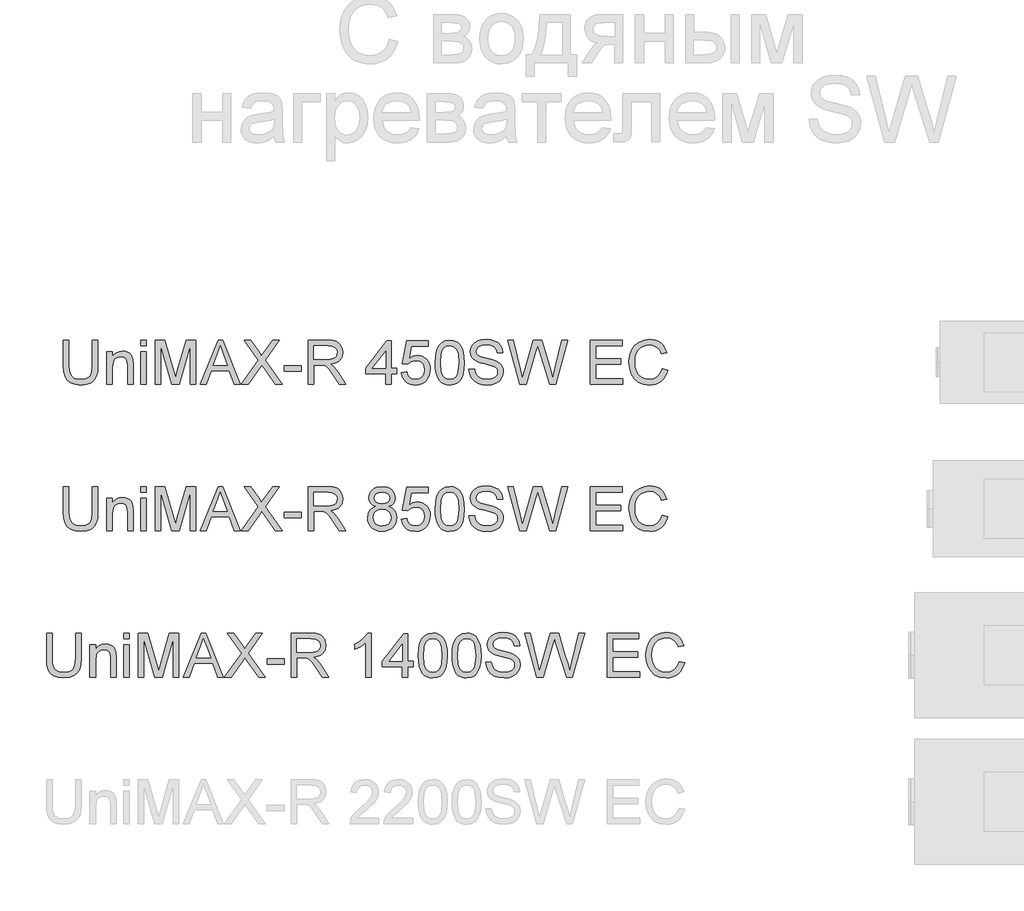
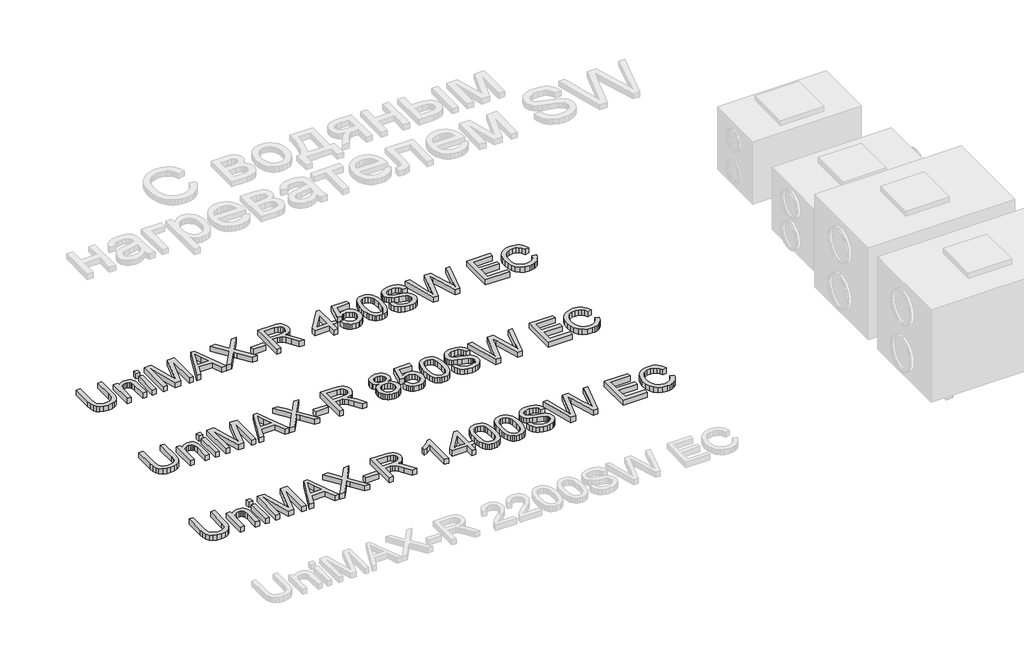
# One storey, part 14 of 74: 3 proxies.
"""IFC4 building model written with IfcOpenShell, lengths in millimetres."""

from ifc_helpers import new_model, si_unit, origin, origin_with_axes, place, context, project, spatial, polyline, outline, extrude, element, save

model = new_model("IFC4")

# Units and contexts
model_context = context("Model", 3, world=origin())
ifc_project = project(units=[si_unit("LENGTHUNIT", "METRE", prefix="MILLI")], contexts=[model_context])

# Site, building, storey
site = spatial("IfcSite", under=ifc_project)
building = spatial("IfcBuilding", under=site)
storey = spatial("IfcBuildingStorey", under=building, Elevation=0.0)

# Proxies
placement = place(None, origin())
element("IfcBuildingElementProxy", 1, Name="Generic Models", at=placement, inside=storey, context=model_context, shape_type="SweptSolid", body=[
    extrude(outline(polyline([(56290.3517423, -34731.9528304), (56328.0228586, -34731.9528304), (56328.0228586, -34905.8138613), (56325.4660787, -34946.5292011), (56317.7957391, -34977.8819441), (56303.4667354, -35002.0701853), (56280.9339632, -35021.2920196), (56250.1422402, -35033.8459926), (56211.0363841, -35038.0306503), (56172.7858537, -35034.3886186), (56142.2056628, -35023.4625233), (56119.2866145, -35005.6294436), (56104.0195117, -34981.2664585), (56095.4386642, -34948.5893403), (56092.5783817, -34905.8138613), (56092.5783817, -34731.9528304), (56130.249498, -34731.9528304), (56130.249498, -34904.4894861), (56132.1073021, -34938.3438267), (56137.6807143, -34961.9158655), (56147.7790751, -34978.2406291), (56163.2117248, -34990.3531438), (56183.3348699, -34997.8579365), (56207.504717, -35000.359534), (56245.8196268, -34995.4115212), (56260.1624261, -34989.2265052), (56271.2954549, -34980.5674827), (56279.6325807, -34968.3905887), (56285.5876705, -34951.6519579), (56290.3517423, -34904.4894861), (56290.3517423, -34731.9528304)])), origin_with_axes(), (0.0, 0.0, 1.0), 50.0),
    extrude(outline(polyline([(56389.2384226, -35033.3217608), (56389.2384226, -34812.0039525), (56426.9095389, -34812.0039525), (56426.9095389, -34842.9060401), (56439.9969409, -34827.3262376), (56455.7146991, -34816.1978072), (56474.0628136, -34809.520749), (56495.0412844, -34807.295063), (56513.6101281, -34809.0884877), (56530.6154733, -34814.4687619), (56544.7973243, -34822.7645009), (56554.895685, -34833.30432), (56566.1896623, -34861.0058343), (56568.176225, -34897.4261518), (56568.176225, -35033.3217608), (56530.5051087, -35033.3217608), (56530.5051087, -34902.5029233), (56526.1641012, -34869.1728146), (56520.1584276, -34859.2491977), (56510.823422, -34851.551267), (56498.8580601, -34846.6124512), (56484.9613177, -34844.9661793), (56462.8975951, -34848.6633933), (56444.0896281, -34859.7550355), (56436.5733391, -34868.8095311), (56431.2045612, -34881.1841617), (56426.9095389, -34915.8938279), (56426.9095389, -35033.3217608), (56389.2384226, -35033.3217608)])), origin_with_axes(), (0.0, 0.0, 1.0), 50.0),
    extrude(outline(polyline([(56619.97401, -35033.3217608), (56619.97401, -34812.0039525), (56657.6451263, -34812.0039525), (56657.6451263, -35033.3217608), (56619.97401, -35033.3217608)])), origin_with_axes(), (0.0, 0.0, 1.0), 50.0),
    extrude(outline(polyline([(56619.97401, -34769.6239467), (56619.97401, -34731.9528304), (56657.6451263, -34731.9528304), (56657.6451263, -34769.6239467), (56619.97401, -34769.6239467)])), origin_with_axes(), (0.0, 0.0, 1.0), 50.0),
    extrude(outline(polyline([(56718.8606903, -35033.3217608), (56718.8606903, -34731.9528304), (56783.6814978, -34731.9528304), (56845.3385202, -34944.3678944), (56857.7729317, -34988.734463), (56871.2374127, -34940.6890744), (56931.8643655, -34731.9528304), (56996.685173, -34731.9528304), (56996.685173, -35033.3217608), (56959.0140567, -35033.3217608), (56959.0140567, -34769.6239467), (56883.3039421, -35033.3217608), (56832.2419212, -35033.3217608), (56756.5318066, -34769.6239467), (56756.5318066, -35033.3217608), (56718.8606903, -35033.3217608)])), origin_with_axes(), (0.0, 0.0, 1.0), 50.0),
    extrude(outline(polyline([(57027.5136842, -35033.3217608), (57147.8110967, -34731.9528304), (57179.8904066, -34731.9528304), (57300.1878191, -35033.3217608), (57260.3829872, -35033.3217608), (57225.875656, -34939.14397), (57101.7522709, -34939.14397), (57067.3185161, -35033.3217608), (57027.5136842, -35033.3217608)]), holes=[polyline([(57115.5846339, -34901.4728537), (57212.1168694, -34901.4728537), (57184.9671782, -34827.3814199), (57163.8507516, -34769.6239467), (57145.0887699, -34820.9066968), (57115.5846339, -34901.4728537)])]), origin_with_axes(), (0.0, 0.0, 1.0), 50.0),
    extrude(outline(polyline([(57307.4718826, -35033.3217608), (57423.6490166, -34869.0992382), (57326.3074407, -34731.9528304), (57371.4833497, -34731.9528304), (57426.297767, -34809.1344729), (57444.7654432, -34839.2272201), (57466.3969045, -34808.6194381), (57520.6227106, -34731.9528304), (57566.4608072, -34731.9528304), (57469.1192312, -34869.5406965), (57585.2963653, -35033.3217608), (57540.1204563, -35033.3217608), (57462.7180845, -34924.1343846), (57446.6048531, -34901.4728537), (57428.872941, -34926.3416766), (57353.3099792, -35033.3217608), (57307.4718826, -35033.3217608)])), origin_with_axes(), (0.0, 0.0, 1.0), 50.0),
    extrude(outline(polyline([(57599.4230339, -34943.8528596), (57599.4230339, -34906.1817433), (57717.1452724, -34906.1817433), (57717.1452724, -34943.8528596), (57599.4230339, -34943.8528596)])), origin_with_axes(), (0.0, 0.0, 1.0), 50.0),
    extrude(outline(polyline([(57764.2341678, -35033.3217608), (57764.2341678, -34731.9528304), (57894.0965121, -34731.9528304), (57928.9993164, -34733.9853784), (57954.3923711, -34740.0830224), (57972.9520177, -34751.3402115), (57987.3545978, -34768.8513945), (57996.597633, -34790.5656292), (57999.6786447, -34814.4319737), (57994.574282, -34844.1200507), (57979.2611939, -34868.7313562), (57967.6614148, -34878.7607391), (57953.279528, -34886.775968), (57916.1694318, -34896.7639642), (57937.5801639, -34912.8771956), (57968.1143695, -34951.6519579), (58018.36705, -35033.3217608), (57974.5890926, -35033.3217608), (57935.3728719, -34970.855398), (57907.0459583, -34929.5054618), (57887.1435424, -34909.9709278), (57869.2276892, -34902.7972289), (57847.3754987, -34901.4728537), (57801.9052841, -34901.4728537), (57801.9052841, -35033.3217608), (57764.2341678, -35033.3217608)]), holes=[polyline([(57801.9052841, -34863.8017374), (57886.2238374, -34863.8017374), (57910.4396697, -34862.4681652), (57929.2292426, -34858.4674485), (57943.3743053, -34851.5328729), (57953.6566071, -34841.3977239), (57959.9197981, -34829.1380564), (57962.0075284, -34815.8299253), (57958.0252058, -34797.4542196), (57946.078238, -34782.6469693), (57925.5228315, -34772.8797023), (57895.7151928, -34769.6239467), (57801.9052841, -34769.6239467), (57801.9052841, -34863.8017374)])]), origin_with_axes(), (0.0, 0.0, 1.0), 50.0),
    extrude(outline(polyline([(58291.6297961, -35033.3217608), (58291.6297961, -34962.6884177), (58155.0719994, -34962.6884177), (58155.0719994, -34925.0173014), (58301.0475751, -34736.6617199), (58329.3009124, -34736.6617199), (58329.3009124, -34925.0173014), (58366.9720287, -34925.0173014), (58366.9720287, -34962.6884177), (58329.3009124, -34962.6884177), (58329.3009124, -35033.3217608), (58291.6297961, -35033.3217608)]), holes=[polyline([(58291.6297961, -34925.0173014), (58291.6297961, -34808.6194381), (58201.4251308, -34925.0173014), (58291.6297961, -34925.0173014)])]), origin_with_axes(), (0.0, 0.0, 1.0), 50.0),
    extrude(outline(polyline([(58399.9342554, -34953.2706387), (58437.6053717, -34948.5617491), (58444.5215532, -34971.1772948), (58456.5880827, -34987.3732996), (58473.7497778, -34997.1129754), (58495.9514562, -35000.359534), (58522.9539946, -34995.8437825), (58543.1875044, -34982.2965281), (58555.8242509, -34961.2812691), (58560.0364997, -34934.3615041), (58556.0909653, -34909.0144346), (58544.2543621, -34889.6270535), (58524.4347197, -34877.3214007), (58496.5400674, -34873.2195165), (58478.2655293, -34874.8565914), (58463.467476, -34879.767816), (58442.3142613, -34896.7639642), (58404.643145, -34892.0550747), (58437.6053717, -34736.6617199), (58583.5809474, -34736.6617199), (58583.5809474, -34774.3328362), (58468.0660009, -34774.3328362), (58451.9527696, -34857.3270143), (58478.8633375, -34840.9930537), (58507.0614924, -34835.5484002), (58525.4073077, -34837.2360588), (58542.2586023, -34842.2990348), (58557.6153764, -34850.7373281), (58571.4776298, -34862.5509386), (58582.9532488, -34877.0178981), (58591.1501195, -34893.416238), (58596.0682419, -34911.7459584), (58597.707616, -34932.0070593), (58591.80311, -34969.6781756), (58584.4224775, -34986.4719887), (58574.089592, -35001.9046384), (58558.4362131, -35017.7097686), (58540.170872, -35028.9991474), (58519.2935688, -35035.7727746), (58495.8043034, -35038.0306503), (58458.8045717, -35032.2273119), (58443.1259009, -35024.9731388), (58429.3280268, -35014.8172964), (58417.8478093, -35002.2656226), (58409.1221083, -34987.823955), (58399.9342554, -34953.2706387)])), origin_with_axes(), (0.0, 0.0, 1.0), 50.0),
    extrude(outline(polyline([(58630.6698428, -34885.0653167), (58633.4381548, -34836.8267901), (58641.7430909, -34798.3555305), (58655.5018775, -34769.0629266), (58674.6317412, -34748.3603673), (58699.2706379, -34736.0547146), (58729.5565231, -34731.9528304), (58752.769877, -34734.3808515), (58773.5552097, -34741.664915), (58790.937634, -34753.5199123), (58803.9422625, -34769.6607349), (58813.7647118, -34789.9494269), (58821.6005983, -34814.2480327), (58826.7325521, -34845.104135), (58828.4432034, -34885.0653167), (58825.7024826, -34933.0279319), (58817.48032, -34971.407221), (58803.8043068, -35000.727416), (58784.7020342, -35021.5127488), (58760.0079553, -35033.9011749), (58729.5565231, -35038.0306503), (58708.8079786, -35036.2372256), (58690.4138788, -35030.8569514), (58674.3742238, -35021.8898278), (58660.6890136, -35009.3358547), (58647.5556264, -34986.6421341), (58638.1746355, -34958.3658043), (58632.546041, -34924.5068652), (58630.6698428, -34885.0653167)]), holes=[polyline([(58668.3409591, -34884.9917403), (58672.7555431, -34944.2483327), (58678.273773, -34964.5163314), (58685.9992949, -34978.5441317), (58705.7177698, -34994.9056835), (58729.5565231, -35000.359534), (58753.3952764, -34994.8872894), (58773.1137513, -34978.4705553), (58780.8392732, -34964.4197624), (58786.3575032, -34944.1563622), (58790.7720871, -34884.9917403), (58786.504656, -34827.0687202), (58781.170367, -34806.8674001), (58773.7023625, -34792.5062068), (58754.0206758, -34775.3445117), (58729.1150647, -34769.6239467), (58705.5338288, -34774.66393), (58686.5879061, -34789.78388), (58678.6048668, -34805.4188648), (58672.9026959, -34826.4985031), (58668.3409591, -34884.9917403)])]), origin_with_axes(), (0.0, 0.0, 1.0), 50.0),
    extrude(outline(polyline([(58861.4054302, -34929.726191), (58899.0765465, -34929.726191), (58903.3991599, -34950.6310853), (58911.2166523, -34967.4340955), (58923.4119405, -34980.7698178), (58940.8679411, -34991.2728488), (58962.2050969, -34998.0878627), (58986.0438501, -35000.359534), (59007.031518, -34998.6396857), (59025.4072236, -34993.4801407), (59040.2972474, -34985.3131604), (59050.8278695, -34974.5710062), (59057.0910605, -34962.2377623), (59059.1787908, -34949.2975131), (59057.6152923, -34936.6883577), (59052.9247969, -34925.7898536), (59043.3966532, -34916.4916362), (59027.32021, -34908.6833408), (58972.4690045, -34894.2991548), (58936.4625542, -34884.7802082), (58913.4239443, -34875.7211141), (58894.6711596, -34863.0475793), (58881.3814225, -34847.688506), (58873.4627626, -34829.974988), (58870.8232093, -34810.2381189), (58874.088162, -34788.1743963), (58883.8830201, -34767.6005957), (58899.9502662, -34750.1629891), (58922.032383, -34737.5078485), (58948.5382807, -34729.8099177), (58977.8768699, -34727.2439408), (59009.6618742, -34729.9294794), (59037.4737531, -34737.9860951), (59060.319225, -34751.248241), (59077.2050086, -34769.5503703), (59087.8919805, -34791.7520487), (59092.1410176, -34816.712842), (59054.4699013, -34816.712842), (59047.5537197, -34794.2352521), (59033.1327455, -34778.0116561), (59010.5999733, -34768.1892069), (58979.3483978, -34764.9150571), (58947.3610584, -34768.1524187), (58925.4168973, -34777.8645034), (58912.7249685, -34792.1567189), (58908.4943256, -34809.1344729), (58911.4925638, -34823.6106295), (58920.4872786, -34835.2540946), (58941.7508579, -34845.6651551), (58981.9971482, -34856.2969447), (59023.5310255, -34866.3953055), (59048.6573657, -34875.2060793), (59070.1324772, -34888.8728954), (59085.1144715, -34905.7402849), (59093.9160482, -34925.6243067), (59096.8499071, -34948.3410199), (59093.4745898, -34971.5635709), (59083.3486379, -34993.4065643), (59066.8859186, -35012.2053343), (59044.5002992, -35026.2952147), (59017.5805342, -35035.0967914), (58987.5153781, -35038.0306503), (58950.607617, -35034.8668652), (58920.2297612, -35025.3755097), (58896.032323, -35009.5197957), (58877.6658144, -34987.262935), (58865.8751964, -34960.150032), (58861.4054302, -34929.726191)])), origin_with_axes(), (0.0, 0.0, 1.0), 50.0),
    extrude(outline(polyline([(59207.288082, -35033.3217608), (59125.1032443, -34731.9528304), (59163.951583, -34731.9528304), (59211.6290896, -34930.0204966), (59226.3443694, -34991.1624842), (59242.0897188, -34937.0838309), (59301.8337548, -34731.9528304), (59357.8253945, -34731.9528304), (59401.2354699, -34880.6507328), (59419.8319048, -34935.8330321), (59433.5355091, -34991.1624842), (59447.8093305, -34931.7863301), (59495.9282955, -34731.9528304), (59534.7766342, -34731.9528304), (59452.51822, -35033.3217608), (59412.2719298, -35033.3217608), (59340.0199059, -34800.8203398), (59329.9399392, -34768.3731479), (59318.6091738, -34807.4422158), (59252.7582967, -35033.3217608), (59207.288082, -35033.3217608)])), origin_with_axes(), (0.0, 0.0, 1.0), 50.0),
    extrude(outline(polyline([(59690.1699889, -35033.3217608), (59690.1699889, -34731.9528304), (59906.7789077, -34731.9528304), (59906.7789077, -34769.6239467), (59727.8411052, -34769.6239467), (59727.8411052, -34859.0928479), (59897.3611286, -34859.0928479), (59897.3611286, -34896.7639642), (59727.8411052, -34896.7639642), (59727.8411052, -34995.6506445), (59911.4877972, -34995.6506445), (59911.4877972, -35033.3217608), (59690.1699889, -35033.3217608)])), origin_with_axes(), (0.0, 0.0, 1.0), 50.0),
    extrude(outline(polyline([(60179.8945009, -34926.1945238), (60217.5656172, -34935.9066085), (60210.1114083, -34959.3337938), (60200.1831929, -34979.8041276), (60187.7809712, -34997.3176098), (60172.904743, -35011.8742405), (60155.8902007, -35023.3176698), (60137.0730367, -35031.4915479), (60116.4532508, -35036.3958747), (60094.0308432, -35038.0306503), (60050.3356592, -35033.0826375), (60015.6351901, -35018.238599), (59989.0373218, -34994.0135696), (59969.6499407, -34960.9225842), (59957.8133375, -34922.0190632), (59953.8678031, -34880.3564272), (59958.3283723, -34836.4129229), (59971.7100798, -34798.4658951), (59993.31395, -34767.7201573), (60022.441007, -34745.3805232), (60056.9851263, -34731.7780864), (60094.8401836, -34727.2439408), (60136.1441346, -34733.1116586), (60154.1128708, -34740.4463059), (60170.2927808, -34750.7148121), (60184.4171502, -34763.6458642), (60196.2192644, -34778.9681493), (60212.8567277, -34816.7864184), (60175.1856114, -34825.7627391), (60162.1258005, -34798.2911511), (60144.2835238, -34779.4463959), (60121.4380519, -34768.5478918), (60093.3686556, -34764.9150571), (60061.0134342, -34768.943365), (60034.43396, -34781.0282885), (60014.2648296, -34799.9006349), (60001.1406394, -34824.2912111), (59993.9393494, -34851.8639667), (59991.5389194, -34880.2828508), (59994.3808078, -34915.0844876), (60002.906473, -34945.1772348), (60017.4378118, -34969.4114612), (60038.296721, -34986.6375356), (60063.3034996, -34996.9290344), (60090.2784469, -35000.359534), (60121.7231604, -34995.6874327), (60147.9255555, -34981.6711287), (60167.7084098, -34958.4577748), (60179.8945009, -34926.1945238)])), origin_with_axes(), (0.0, 0.0, 1.0), 50.0),
])
element("IfcBuildingElementProxy", 2, Name="Generic Models", at=placement, inside=storey, context=model_context, shape_type="SweptSolid", body=[
    extrude(outline(polyline([(56290.3517423, -35731.9528304), (56328.0228586, -35731.9528304), (56328.0228586, -35905.8138613), (56325.4660787, -35946.5292011), (56317.7957391, -35977.8819441), (56303.4667354, -36002.0701853), (56280.9339632, -36021.2920196), (56250.1422402, -36033.8459926), (56211.0363841, -36038.0306503), (56172.7858537, -36034.3886186), (56142.2056628, -36023.4625233), (56119.2866145, -36005.6294436), (56104.0195117, -35981.2664585), (56095.4386642, -35948.5893403), (56092.5783817, -35905.8138613), (56092.5783817, -35731.9528304), (56130.249498, -35731.9528304), (56130.249498, -35904.4894861), (56132.1073021, -35938.3438267), (56137.6807143, -35961.9158655), (56147.7790751, -35978.2406291), (56163.2117248, -35990.3531438), (56183.3348699, -35997.8579365), (56207.504717, -36000.359534), (56245.8196268, -35995.4115212), (56260.1624261, -35989.2265052), (56271.2954549, -35980.5674827), (56279.6325807, -35968.3905887), (56285.5876705, -35951.6519579), (56290.3517423, -35904.4894861), (56290.3517423, -35731.9528304)])), origin_with_axes(), (0.0, 0.0, 1.0), 50.0),
    extrude(outline(polyline([(56389.2384226, -36033.3217608), (56389.2384226, -35812.0039525), (56426.9095389, -35812.0039525), (56426.9095389, -35842.9060401), (56439.9969409, -35827.3262376), (56455.7146991, -35816.1978072), (56474.0628136, -35809.520749), (56495.0412844, -35807.295063), (56513.6101281, -35809.0884877), (56530.6154733, -35814.4687619), (56544.7973243, -35822.7645009), (56554.895685, -35833.30432), (56566.1896623, -35861.0058343), (56568.176225, -35897.4261518), (56568.176225, -36033.3217608), (56530.5051087, -36033.3217608), (56530.5051087, -35902.5029233), (56526.1641012, -35869.1728146), (56520.1584276, -35859.2491977), (56510.823422, -35851.551267), (56498.8580601, -35846.6124512), (56484.9613177, -35844.9661793), (56462.8975951, -35848.6633933), (56444.0896281, -35859.7550355), (56436.5733391, -35868.8095311), (56431.2045612, -35881.1841617), (56426.9095389, -35915.8938279), (56426.9095389, -36033.3217608), (56389.2384226, -36033.3217608)])), origin_with_axes(), (0.0, 0.0, 1.0), 50.0),
    extrude(outline(polyline([(56619.97401, -36033.3217608), (56619.97401, -35812.0039525), (56657.6451263, -35812.0039525), (56657.6451263, -36033.3217608), (56619.97401, -36033.3217608)])), origin_with_axes(), (0.0, 0.0, 1.0), 50.0),
    extrude(outline(polyline([(56619.97401, -35769.6239467), (56619.97401, -35731.9528304), (56657.6451263, -35731.9528304), (56657.6451263, -35769.6239467), (56619.97401, -35769.6239467)])), origin_with_axes(), (0.0, 0.0, 1.0), 50.0),
    extrude(outline(polyline([(56718.8606903, -36033.3217608), (56718.8606903, -35731.9528304), (56783.6814978, -35731.9528304), (56845.3385202, -35944.3678944), (56857.7729317, -35988.734463), (56871.2374127, -35940.6890744), (56931.8643655, -35731.9528304), (56996.685173, -35731.9528304), (56996.685173, -36033.3217608), (56959.0140567, -36033.3217608), (56959.0140567, -35769.6239467), (56883.3039421, -36033.3217608), (56832.2419212, -36033.3217608), (56756.5318066, -35769.6239467), (56756.5318066, -36033.3217608), (56718.8606903, -36033.3217608)])), origin_with_axes(), (0.0, 0.0, 1.0), 50.0),
    extrude(outline(polyline([(57027.5136842, -36033.3217608), (57147.8110967, -35731.9528304), (57179.8904066, -35731.9528304), (57300.1878191, -36033.3217608), (57260.3829872, -36033.3217608), (57225.875656, -35939.14397), (57101.7522709, -35939.14397), (57067.3185161, -36033.3217608), (57027.5136842, -36033.3217608)]), holes=[polyline([(57115.5846339, -35901.4728537), (57212.1168694, -35901.4728537), (57184.9671782, -35827.3814199), (57163.8507516, -35769.6239467), (57145.0887699, -35820.9066968), (57115.5846339, -35901.4728537)])]), origin_with_axes(), (0.0, 0.0, 1.0), 50.0),
    extrude(outline(polyline([(57307.4718826, -36033.3217608), (57423.6490166, -35869.0992382), (57326.3074407, -35731.9528304), (57371.4833497, -35731.9528304), (57426.297767, -35809.1344729), (57444.7654432, -35839.2272201), (57466.3969045, -35808.6194381), (57520.6227106, -35731.9528304), (57566.4608072, -35731.9528304), (57469.1192312, -35869.5406965), (57585.2963653, -36033.3217608), (57540.1204563, -36033.3217608), (57462.7180845, -35924.1343846), (57446.6048531, -35901.4728537), (57428.872941, -35926.3416766), (57353.3099792, -36033.3217608), (57307.4718826, -36033.3217608)])), origin_with_axes(), (0.0, 0.0, 1.0), 50.0),
    extrude(outline(polyline([(57599.4230339, -35943.8528596), (57599.4230339, -35906.1817433), (57717.1452724, -35906.1817433), (57717.1452724, -35943.8528596), (57599.4230339, -35943.8528596)])), origin_with_axes(), (0.0, 0.0, 1.0), 50.0),
    extrude(outline(polyline([(57764.2341678, -36033.3217608), (57764.2341678, -35731.9528304), (57894.0965121, -35731.9528304), (57928.9993164, -35733.9853784), (57954.3923711, -35740.0830224), (57972.9520177, -35751.3402115), (57987.3545978, -35768.8513945), (57996.597633, -35790.5656292), (57999.6786447, -35814.4319737), (57994.574282, -35844.1200507), (57979.2611939, -35868.7313562), (57967.6614148, -35878.7607391), (57953.279528, -35886.775968), (57916.1694318, -35896.7639642), (57937.5801639, -35912.8771956), (57968.1143695, -35951.6519579), (58018.36705, -36033.3217608), (57974.5890926, -36033.3217608), (57935.3728719, -35970.855398), (57907.0459583, -35929.5054618), (57887.1435424, -35909.9709278), (57869.2276892, -35902.7972289), (57847.3754987, -35901.4728537), (57801.9052841, -35901.4728537), (57801.9052841, -36033.3217608), (57764.2341678, -36033.3217608)]), holes=[polyline([(57801.9052841, -35863.8017374), (57886.2238374, -35863.8017374), (57910.4396697, -35862.4681652), (57929.2292426, -35858.4674485), (57943.3743053, -35851.5328729), (57953.6566071, -35841.3977239), (57959.9197981, -35829.1380564), (57962.0075284, -35815.8299253), (57958.0252058, -35797.4542196), (57946.078238, -35782.6469693), (57925.5228315, -35772.8797023), (57895.7151928, -35769.6239467), (57801.9052841, -35769.6239467), (57801.9052841, -35863.8017374)])]), origin_with_axes(), (0.0, 0.0, 1.0), 50.0),
    extrude(outline(polyline([(58224.0866617, -35867.3334046), (58203.9175314, -35857.4005907), (58189.7632716, -35843.9361097), (58181.4031532, -35827.215873), (58178.6164471, -35807.5157922), (58180.1339604, -35792.1521203), (58184.6865001, -35778.0668384), (58192.2740662, -35765.2599465), (58202.8966588, -35753.7314445), (58216.0438416, -35744.2033008), (58231.2051783, -35737.3974839), (58267.5703136, -35731.9528304), (58304.156178, -35737.5262426), (58319.4830616, -35744.4930079), (58332.8325795, -35754.2464793), (58343.6483102, -35766.000309), (58351.3738321, -35778.9681493), (58356.0091452, -35793.1500003), (58357.5542496, -35808.5458617), (58354.8043317, -35827.6113461), (58346.5545779, -35844.0464743), (58332.7130179, -35857.4281819), (58313.187681, -35867.3334046), (58336.3734437, -35879.2803724), (58353.2500302, -35896.8743288), (58363.5415291, -35919.2691452), (58366.9720287, -35945.6186932), (58365.2705744, -35964.4082661), (58360.1662118, -35981.6343405), (58351.6589406, -35997.2969164), (58339.748761, -36011.3959939), (58325.0610724, -36023.0486561), (58308.221274, -36031.3719862), (58289.229366, -36036.3659843), (58268.0853484, -36038.0306503), (58246.9413307, -36036.3590865), (58227.9494227, -36031.3443951), (58211.1096244, -36022.986576), (58196.4219357, -36011.2856293), (58184.5117561, -35997.0876835), (58176.004485, -35981.2388673), (58170.9001223, -35963.7391807), (58169.1986681, -35944.5886236), (58172.7671234, -35917.2182031), (58183.4724895, -35894.703825), (58200.7629432, -35877.8180414), (58224.0866617, -35867.3334046)]), holes=[polyline([(58206.8697844, -35943.2642484), (58213.1605665, -35971.6279502), (58221.8701727, -35983.7956472), (58235.4174272, -35992.8547413), (58251.6410232, -35998.4833359), (58268.379654, -36000.359534), (58294.021029, -35996.4139996), (58313.2612574, -35984.5773964), (58325.2909986, -35966.6523462), (58329.3009124, -35944.4414708), (58325.1622399, -35921.8535163), (58312.7462226, -35903.5329929), (58293.0645358, -35891.3928871), (58267.1288552, -35887.3461851), (58241.8461651, -35891.3377048), (58222.7990748, -35903.3122637), (58210.852107, -35921.2832992), (58206.8697844, -35943.2642484)]), polyline([(58216.2875634, -35808.6194381), (58219.6260925, -35825.0637633), (58229.6416799, -35838.1971506), (58246.0400198, -35846.8055892), (58268.5268068, -35849.6750688), (58290.4893619, -35846.8239833), (58306.6393815, -35838.270727), (58316.5721953, -35825.5787981), (58319.8831333, -35810.3116953), (58316.4618307, -35794.4651784), (58306.1979231, -35781.3593823), (58289.8271743, -35772.5578056), (58268.0853484, -35769.6239467), (58246.2055667, -35772.4934262), (58229.8624091, -35781.1018649), (58219.6812748, -35793.7202173), (58216.2875634, -35808.6194381)])]), origin_with_axes(), (0.0, 0.0, 1.0), 50.0),
    extrude(outline(polyline([(58399.9342554, -35953.2706387), (58437.6053717, -35948.5617491), (58444.5215532, -35971.1772948), (58456.5880827, -35987.3732996), (58473.7497778, -35997.1129754), (58495.9514562, -36000.359534), (58522.9539946, -35995.8437825), (58543.1875044, -35982.2965281), (58555.8242509, -35961.2812691), (58560.0364997, -35934.3615041), (58556.0909653, -35909.0144346), (58544.2543621, -35889.6270535), (58524.4347197, -35877.3214007), (58496.5400674, -35873.2195165), (58478.2655293, -35874.8565914), (58463.467476, -35879.767816), (58442.3142613, -35896.7639642), (58404.643145, -35892.0550747), (58437.6053717, -35736.6617199), (58583.5809474, -35736.6617199), (58583.5809474, -35774.3328362), (58468.0660009, -35774.3328362), (58451.9527696, -35857.3270143), (58478.8633375, -35840.9930537), (58507.0614924, -35835.5484002), (58525.4073077, -35837.2360588), (58542.2586023, -35842.2990348), (58557.6153764, -35850.7373281), (58571.4776298, -35862.5509386), (58582.9532488, -35877.0178981), (58591.1501195, -35893.416238), (58596.0682419, -35911.7459584), (58597.707616, -35932.0070593), (58591.80311, -35969.6781756), (58584.4224775, -35986.4719887), (58574.089592, -36001.9046384), (58558.4362131, -36017.7097686), (58540.170872, -36028.9991474), (58519.2935688, -36035.7727746), (58495.8043034, -36038.0306503), (58458.8045717, -36032.2273119), (58443.1259009, -36024.9731388), (58429.3280268, -36014.8172964), (58417.8478093, -36002.2656226), (58409.1221083, -35987.823955), (58399.9342554, -35953.2706387)])), origin_with_axes(), (0.0, 0.0, 1.0), 50.0),
    extrude(outline(polyline([(58630.6698428, -35885.0653167), (58633.4381548, -35836.8267901), (58641.7430909, -35798.3555305), (58655.5018775, -35769.0629266), (58674.6317412, -35748.3603673), (58699.2706379, -35736.0547146), (58729.5565231, -35731.9528304), (58752.769877, -35734.3808515), (58773.5552097, -35741.664915), (58790.937634, -35753.5199123), (58803.9422625, -35769.6607349), (58813.7647118, -35789.9494269), (58821.6005983, -35814.2480327), (58826.7325521, -35845.104135), (58828.4432034, -35885.0653167), (58825.7024826, -35933.0279319), (58817.48032, -35971.407221), (58803.8043068, -36000.727416), (58784.7020342, -36021.5127488), (58760.0079553, -36033.9011749), (58729.5565231, -36038.0306503), (58708.8079786, -36036.2372256), (58690.4138788, -36030.8569514), (58674.3742238, -36021.8898278), (58660.6890136, -36009.3358547), (58647.5556264, -35986.6421341), (58638.1746355, -35958.3658043), (58632.546041, -35924.5068652), (58630.6698428, -35885.0653167)]), holes=[polyline([(58668.3409591, -35884.9917403), (58672.7555431, -35944.2483327), (58678.273773, -35964.5163314), (58685.9992949, -35978.5441317), (58705.7177698, -35994.9056835), (58729.5565231, -36000.359534), (58753.3952764, -35994.8872894), (58773.1137513, -35978.4705553), (58780.8392732, -35964.4197624), (58786.3575032, -35944.1563622), (58790.7720871, -35884.9917403), (58786.504656, -35827.0687202), (58781.170367, -35806.8674001), (58773.7023625, -35792.5062068), (58754.0206758, -35775.3445117), (58729.1150647, -35769.6239467), (58705.5338288, -35774.66393), (58686.5879061, -35789.78388), (58678.6048668, -35805.4188648), (58672.9026959, -35826.4985031), (58668.3409591, -35884.9917403)])]), origin_with_axes(), (0.0, 0.0, 1.0), 50.0),
    extrude(outline(polyline([(58861.4054302, -35929.726191), (58899.0765465, -35929.726191), (58903.3991599, -35950.6310853), (58911.2166523, -35967.4340955), (58923.4119405, -35980.7698178), (58940.8679411, -35991.2728488), (58962.2050969, -35998.0878627), (58986.0438501, -36000.359534), (59007.031518, -35998.6396857), (59025.4072236, -35993.4801407), (59040.2972474, -35985.3131604), (59050.8278695, -35974.5710062), (59057.0910605, -35962.2377623), (59059.1787908, -35949.2975131), (59057.6152923, -35936.6883577), (59052.9247969, -35925.7898536), (59043.3966532, -35916.4916362), (59027.32021, -35908.6833408), (58972.4690045, -35894.2991548), (58936.4625542, -35884.7802082), (58913.4239443, -35875.7211141), (58894.6711596, -35863.0475793), (58881.3814225, -35847.688506), (58873.4627626, -35829.974988), (58870.8232093, -35810.2381189), (58874.088162, -35788.1743963), (58883.8830201, -35767.6005957), (58899.9502662, -35750.1629891), (58922.032383, -35737.5078485), (58948.5382807, -35729.8099177), (58977.8768699, -35727.2439408), (59009.6618742, -35729.9294794), (59037.4737531, -35737.9860951), (59060.319225, -35751.248241), (59077.2050086, -35769.5503703), (59087.8919805, -35791.7520487), (59092.1410176, -35816.712842), (59054.4699013, -35816.712842), (59047.5537197, -35794.2352521), (59033.1327455, -35778.0116561), (59010.5999733, -35768.1892069), (58979.3483978, -35764.9150571), (58947.3610584, -35768.1524187), (58925.4168973, -35777.8645034), (58912.7249685, -35792.1567189), (58908.4943256, -35809.1344729), (58911.4925638, -35823.6106295), (58920.4872786, -35835.2540946), (58941.7508579, -35845.6651551), (58981.9971482, -35856.2969447), (59023.5310255, -35866.3953055), (59048.6573657, -35875.2060793), (59070.1324772, -35888.8728954), (59085.1144715, -35905.7402849), (59093.9160482, -35925.6243067), (59096.8499071, -35948.3410199), (59093.4745898, -35971.5635709), (59083.3486379, -35993.4065643), (59066.8859186, -36012.2053343), (59044.5002992, -36026.2952147), (59017.5805342, -36035.0967914), (58987.5153781, -36038.0306503), (58950.607617, -36034.8668652), (58920.2297612, -36025.3755097), (58896.032323, -36009.5197957), (58877.6658144, -35987.262935), (58865.8751964, -35960.150032), (58861.4054302, -35929.726191)])), origin_with_axes(), (0.0, 0.0, 1.0), 50.0),
    extrude(outline(polyline([(59207.288082, -36033.3217608), (59125.1032443, -35731.9528304), (59163.951583, -35731.9528304), (59211.6290896, -35930.0204966), (59226.3443694, -35991.1624842), (59242.0897188, -35937.0838309), (59301.8337548, -35731.9528304), (59357.8253945, -35731.9528304), (59401.2354699, -35880.6507328), (59419.8319048, -35935.8330321), (59433.5355091, -35991.1624842), (59447.8093305, -35931.7863301), (59495.9282955, -35731.9528304), (59534.7766342, -35731.9528304), (59452.51822, -36033.3217608), (59412.2719298, -36033.3217608), (59340.0199059, -35800.8203398), (59329.9399392, -35768.3731479), (59318.6091738, -35807.4422158), (59252.7582967, -36033.3217608), (59207.288082, -36033.3217608)])), origin_with_axes(), (0.0, 0.0, 1.0), 50.0),
    extrude(outline(polyline([(59690.1699889, -36033.3217608), (59690.1699889, -35731.9528304), (59906.7789077, -35731.9528304), (59906.7789077, -35769.6239467), (59727.8411052, -35769.6239467), (59727.8411052, -35859.0928479), (59897.3611286, -35859.0928479), (59897.3611286, -35896.7639642), (59727.8411052, -35896.7639642), (59727.8411052, -35995.6506445), (59911.4877972, -35995.6506445), (59911.4877972, -36033.3217608), (59690.1699889, -36033.3217608)])), origin_with_axes(), (0.0, 0.0, 1.0), 50.0),
    extrude(outline(polyline([(60179.8945009, -35926.1945238), (60217.5656172, -35935.9066085), (60210.1114083, -35959.3337938), (60200.1831929, -35979.8041276), (60187.7809712, -35997.3176098), (60172.904743, -36011.8742405), (60155.8902007, -36023.3176698), (60137.0730367, -36031.4915479), (60116.4532508, -36036.3958747), (60094.0308432, -36038.0306503), (60050.3356592, -36033.0826375), (60015.6351901, -36018.238599), (59989.0373218, -35994.0135696), (59969.6499407, -35960.9225842), (59957.8133375, -35922.0190632), (59953.8678031, -35880.3564272), (59958.3283723, -35836.4129229), (59971.7100798, -35798.4658951), (59993.31395, -35767.7201573), (60022.441007, -35745.3805232), (60056.9851263, -35731.7780864), (60094.8401836, -35727.2439408), (60136.1441346, -35733.1116586), (60154.1128708, -35740.4463059), (60170.2927808, -35750.7148121), (60184.4171502, -35763.6458642), (60196.2192644, -35778.9681493), (60212.8567277, -35816.7864184), (60175.1856114, -35825.7627391), (60162.1258005, -35798.2911511), (60144.2835238, -35779.4463959), (60121.4380519, -35768.5478918), (60093.3686556, -35764.9150571), (60061.0134342, -35768.943365), (60034.43396, -35781.0282885), (60014.2648296, -35799.9006349), (60001.1406394, -35824.2912111), (59993.9393494, -35851.8639667), (59991.5389194, -35880.2828508), (59994.3808078, -35915.0844876), (60002.906473, -35945.1772348), (60017.4378118, -35969.4114612), (60038.296721, -35986.6375356), (60063.3034996, -35996.9290344), (60090.2784469, -36000.359534), (60121.7231604, -35995.6874327), (60147.9255555, -35981.6711287), (60167.7084098, -35958.4577748), (60179.8945009, -35926.1945238)])), origin_with_axes(), (0.0, 0.0, 1.0), 50.0),
])
element("IfcBuildingElementProxy", 3, Name="Generic Models", at=placement, inside=storey, context=model_context, shape_type="SweptSolid", body=[
    extrude(outline(polyline([(56174.9839486, -36731.9528304), (56212.6550649, -36731.9528304), (56212.6550649, -36905.8138613), (56210.098285, -36946.5292011), (56202.4279454, -36977.8819441), (56188.0989417, -37002.0701853), (56165.5661695, -37021.2920196), (56134.7744465, -37033.8459926), (56095.6685904, -37038.0306503), (56057.41806, -37034.3886186), (56026.8378691, -37023.4625233), (56003.9188208, -37005.6294436), (55988.651718, -36981.2664585), (55980.0708705, -36948.5893403), (55977.210588, -36905.8138613), (55977.210588, -36731.9528304), (56014.8817043, -36731.9528304), (56014.8817043, -36904.4894861), (56016.7395084, -36938.3438267), (56022.3129206, -36961.9158655), (56032.4112814, -36978.2406291), (56047.8439311, -36990.3531438), (56067.9670762, -36997.8579365), (56092.1369233, -37000.359534), (56130.4518331, -36995.4115212), (56144.7946324, -36989.2265052), (56155.9276613, -36980.5674827), (56164.264787, -36968.3905887), (56170.2198768, -36951.6519579), (56174.9839486, -36904.4894861), (56174.9839486, -36731.9528304)])), origin_with_axes(), (0.0, 0.0, 1.0), 50.0),
    extrude(outline(polyline([(56273.8706289, -37033.3217608), (56273.8706289, -36812.0039525), (56311.5417452, -36812.0039525), (56311.5417452, -36842.9060401), (56324.6291472, -36827.3262376), (56340.3469054, -36816.1978072), (56358.6950199, -36809.520749), (56379.6734907, -36807.295063), (56398.2423344, -36809.0884877), (56415.2476797, -36814.4687619), (56429.4295306, -36822.7645009), (56439.5278913, -36833.30432), (56450.8218686, -36861.0058343), (56452.8084314, -36897.4261518), (56452.8084314, -37033.3217608), (56415.1373151, -37033.3217608), (56415.1373151, -36902.5029233), (56410.7963075, -36869.1728146), (56404.7906339, -36859.2491977), (56395.4556283, -36851.551267), (56383.4902664, -36846.6124512), (56369.5935241, -36844.9661793), (56347.5298014, -36848.6633933), (56328.7218344, -36859.7550355), (56321.2055454, -36868.8095311), (56315.8367675, -36881.1841617), (56311.5417452, -36915.8938279), (56311.5417452, -37033.3217608), (56273.8706289, -37033.3217608)])), origin_with_axes(), (0.0, 0.0, 1.0), 50.0),
    extrude(outline(polyline([(56504.6062163, -37033.3217608), (56504.6062163, -36812.0039525), (56542.2773326, -36812.0039525), (56542.2773326, -37033.3217608), (56504.6062163, -37033.3217608)])), origin_with_axes(), (0.0, 0.0, 1.0), 50.0),
    extrude(outline(polyline([(56504.6062163, -36769.6239467), (56504.6062163, -36731.9528304), (56542.2773326, -36731.9528304), (56542.2773326, -36769.6239467), (56504.6062163, -36769.6239467)])), origin_with_axes(), (0.0, 0.0, 1.0), 50.0),
    extrude(outline(polyline([(56603.4928966, -37033.3217608), (56603.4928966, -36731.9528304), (56668.3137041, -36731.9528304), (56729.9707265, -36944.3678944), (56742.405138, -36988.734463), (56755.869619, -36940.6890744), (56816.4965718, -36731.9528304), (56881.3173793, -36731.9528304), (56881.3173793, -37033.3217608), (56843.646263, -37033.3217608), (56843.646263, -36769.6239467), (56767.9361484, -37033.3217608), (56716.8741275, -37033.3217608), (56641.1640129, -36769.6239467), (56641.1640129, -37033.3217608), (56603.4928966, -37033.3217608)])), origin_with_axes(), (0.0, 0.0, 1.0), 50.0),
    extrude(outline(polyline([(56912.1458905, -37033.3217608), (57032.443303, -36731.9528304), (57064.5226129, -36731.9528304), (57184.8200254, -37033.3217608), (57145.0151935, -37033.3217608), (57110.5078623, -36939.14397), (56986.3844772, -36939.14397), (56951.9507224, -37033.3217608), (56912.1458905, -37033.3217608)]), holes=[polyline([(57000.2168402, -36901.4728537), (57096.7490757, -36901.4728537), (57069.5993845, -36827.3814199), (57048.482958, -36769.6239467), (57029.7209762, -36820.9066968), (57000.2168402, -36901.4728537)])]), origin_with_axes(), (0.0, 0.0, 1.0), 50.0),
    extrude(outline(polyline([(57192.1040889, -37033.3217608), (57308.2812229, -36869.0992382), (57210.939647, -36731.9528304), (57256.115556, -36731.9528304), (57310.9299733, -36809.1344729), (57329.3976495, -36839.2272201), (57351.0291108, -36808.6194381), (57405.2549169, -36731.9528304), (57451.0930135, -36731.9528304), (57353.7514376, -36869.5406965), (57469.9285716, -37033.3217608), (57424.7526626, -37033.3217608), (57347.3502908, -36924.1343846), (57331.2370594, -36901.4728537), (57313.5051473, -36926.3416766), (57237.9421855, -37033.3217608), (57192.1040889, -37033.3217608)])), origin_with_axes(), (0.0, 0.0, 1.0), 50.0),
    extrude(outline(polyline([(57484.0552402, -36943.8528596), (57484.0552402, -36906.1817433), (57601.7774787, -36906.1817433), (57601.7774787, -36943.8528596), (57484.0552402, -36943.8528596)])), origin_with_axes(), (0.0, 0.0, 1.0), 50.0),
    extrude(outline(polyline([(57648.8663741, -37033.3217608), (57648.8663741, -36731.9528304), (57778.7287184, -36731.9528304), (57813.6315227, -36733.9853784), (57839.0245774, -36740.0830224), (57857.584224, -36751.3402115), (57871.9868042, -36768.8513945), (57881.2298393, -36790.5656292), (57884.310851, -36814.4319737), (57879.2064883, -36844.1200507), (57863.8934003, -36868.7313562), (57852.2936211, -36878.7607391), (57837.9117344, -36886.775968), (57800.8016381, -36896.7639642), (57822.2123702, -36912.8771956), (57852.7465758, -36951.6519579), (57902.9992563, -37033.3217608), (57859.2212989, -37033.3217608), (57820.0050782, -36970.855398), (57791.6781646, -36929.5054618), (57771.7757487, -36909.9709278), (57753.8598955, -36902.7972289), (57732.007705, -36901.4728537), (57686.5374904, -36901.4728537), (57686.5374904, -37033.3217608), (57648.8663741, -37033.3217608)]), holes=[polyline([(57686.5374904, -36863.8017374), (57770.8560437, -36863.8017374), (57795.071876, -36862.4681652), (57813.8614489, -36858.4674485), (57828.0065116, -36851.5328729), (57838.2888134, -36841.3977239), (57844.5520044, -36829.1380564), (57846.6397347, -36815.8299253), (57842.6574121, -36797.4542196), (57830.7104443, -36782.6469693), (57810.1550378, -36772.8797023), (57780.3473992, -36769.6239467), (57686.5374904, -36769.6239467), (57686.5374904, -36863.8017374)])]), origin_with_axes(), (0.0, 0.0, 1.0), 50.0),
    extrude(outline(polyline([(58195.0975605, -37033.3217608), (58157.4264442, -37033.3217608), (58157.4264442, -36798.4658951), (58121.7418907, -36823.8865409), (58082.0842116, -36842.9060401), (58082.0842116, -36807.295063), (58111.6711211, -36791.2002257), (58137.3032991, -36772.0519678), (58157.5092177, -36751.6896994), (58170.8173488, -36731.9528304), (58195.0975605, -36731.9528304), (58195.0975605, -37033.3217608)])), origin_with_axes(), (0.0, 0.0, 1.0), 50.0),
    extrude(outline(polyline([(58406.9975897, -37033.3217608), (58406.9975897, -36962.6884177), (58270.4397931, -36962.6884177), (58270.4397931, -36925.0173014), (58416.4153688, -36736.6617199), (58444.668706, -36736.6617199), (58444.668706, -36925.0173014), (58482.3398224, -36925.0173014), (58482.3398224, -36962.6884177), (58444.668706, -36962.6884177), (58444.668706, -37033.3217608), (58406.9975897, -37033.3217608)]), holes=[polyline([(58406.9975897, -36925.0173014), (58406.9975897, -36808.6194381), (58316.7929245, -36925.0173014), (58406.9975897, -36925.0173014)])]), origin_with_axes(), (0.0, 0.0, 1.0), 50.0),
    extrude(outline(polyline([(58515.3020491, -36885.0653167), (58518.0703611, -36836.8267901), (58526.3752972, -36798.3555305), (58540.1340838, -36769.0629266), (58559.2639475, -36748.3603673), (58583.9028442, -36736.0547146), (58614.1887294, -36731.9528304), (58637.4020833, -36734.3808515), (58658.187416, -36741.664915), (58675.5698403, -36753.5199123), (58688.5744688, -36769.6607349), (58698.3969181, -36789.9494269), (58706.2328046, -36814.2480327), (58711.3647585, -36845.104135), (58713.0754097, -36885.0653167), (58710.3346889, -36933.0279319), (58702.1125263, -36971.407221), (58688.4365131, -37000.727416), (58669.3342405, -37021.5127488), (58644.6401616, -37033.9011749), (58614.1887294, -37038.0306503), (58593.4401849, -37036.2372256), (58575.0460851, -37030.8569514), (58559.0064301, -37021.8898278), (58545.3212199, -37009.3358547), (58532.1878327, -36986.6421341), (58522.8068418, -36958.3658043), (58517.1782473, -36924.5068652), (58515.3020491, -36885.0653167)]), holes=[polyline([(58552.9731654, -36884.9917403), (58557.3877494, -36944.2483327), (58562.9059793, -36964.5163314), (58570.6315012, -36978.5441317), (58590.3499761, -36994.9056835), (58614.1887294, -37000.359534), (58638.0274827, -36994.8872894), (58657.7459577, -36978.4705553), (58665.4714796, -36964.4197624), (58670.9897095, -36944.1563622), (58675.4042934, -36884.9917403), (58671.1368623, -36827.0687202), (58665.8025733, -36806.8674001), (58658.3345688, -36792.5062068), (58638.6528821, -36775.3445117), (58613.747271, -36769.6239467), (58590.1660351, -36774.66393), (58571.2201124, -36789.78388), (58563.2370731, -36805.4188648), (58557.5349022, -36826.4985031), (58552.9731654, -36884.9917403)])]), origin_with_axes(), (0.0, 0.0, 1.0), 50.0),
    extrude(outline(polyline([(58746.0376365, -36885.0653167), (58748.8059485, -36836.8267901), (58757.1108846, -36798.3555305), (58770.8696712, -36769.0629266), (58789.9995349, -36748.3603673), (58814.6384315, -36736.0547146), (58844.9243168, -36731.9528304), (58868.1376707, -36734.3808515), (58888.9230034, -36741.664915), (58906.3054277, -36753.5199123), (58919.3100562, -36769.6607349), (58929.1325055, -36789.9494269), (58936.968392, -36814.2480327), (58942.1003458, -36845.104135), (58943.8109971, -36885.0653167), (58941.0702762, -36933.0279319), (58932.8481136, -36971.407221), (58919.1721005, -37000.727416), (58900.0698279, -37021.5127488), (58875.375749, -37033.9011749), (58844.9243168, -37038.0306503), (58824.1757723, -37036.2372256), (58805.7816725, -37030.8569514), (58789.7420175, -37021.8898278), (58776.0568073, -37009.3358547), (58762.9234201, -36986.6421341), (58753.5424292, -36958.3658043), (58747.9138347, -36924.5068652), (58746.0376365, -36885.0653167)]), holes=[polyline([(58783.7087528, -36884.9917403), (58788.1233367, -36944.2483327), (58793.6415667, -36964.5163314), (58801.3670886, -36978.5441317), (58821.0855635, -36994.9056835), (58844.9243168, -37000.359534), (58868.7630701, -36994.8872894), (58888.481545, -36978.4705553), (58896.2070669, -36964.4197624), (58901.7252969, -36944.1563622), (58906.1398808, -36884.9917403), (58901.8724497, -36827.0687202), (58896.5381607, -36806.8674001), (58889.0701562, -36792.5062068), (58869.3884695, -36775.3445117), (58844.4828584, -36769.6239467), (58820.9016225, -36774.66393), (58801.9556998, -36789.78388), (58793.9726605, -36805.4188648), (58788.2704895, -36826.4985031), (58783.7087528, -36884.9917403)])]), origin_with_axes(), (0.0, 0.0, 1.0), 50.0),
    extrude(outline(polyline([(58976.7732239, -36929.726191), (59014.4443402, -36929.726191), (59018.7669536, -36950.6310853), (59026.584446, -36967.4340955), (59038.7797342, -36980.7698178), (59056.2357348, -36991.2728488), (59077.5728905, -36998.0878627), (59101.4116438, -37000.359534), (59122.3993117, -36998.6396857), (59140.7750173, -36993.4801407), (59155.6650411, -36985.3131604), (59166.1956632, -36974.5710062), (59172.4588542, -36962.2377623), (59174.5465845, -36949.2975131), (59172.983086, -36936.6883577), (59168.2925906, -36925.7898536), (59158.7644469, -36916.4916362), (59142.6880037, -36908.6833408), (59087.8367982, -36894.2991548), (59051.8303479, -36884.7802082), (59028.791738, -36875.7211141), (59010.0389533, -36863.0475793), (58996.7492162, -36847.688506), (58988.8305563, -36829.974988), (58986.1910029, -36810.2381189), (58989.4559557, -36788.1743963), (58999.2508138, -36767.6005957), (59015.3180599, -36750.1629891), (59037.4001767, -36737.5078485), (59063.9060744, -36729.8099177), (59093.2446635, -36727.2439408), (59125.0296679, -36729.9294794), (59152.8415468, -36737.9860951), (59175.6870187, -36751.248241), (59192.5728022, -36769.5503703), (59203.2597742, -36791.7520487), (59207.5088112, -36816.712842), (59169.8376949, -36816.712842), (59162.9215134, -36794.2352521), (59148.5005392, -36778.0116561), (59125.967767, -36768.1892069), (59094.7161915, -36764.9150571), (59062.728852, -36768.1524187), (59040.784691, -36777.8645034), (59028.0927622, -36792.1567189), (59023.8621193, -36809.1344729), (59026.8603575, -36823.6106295), (59035.8550723, -36835.2540946), (59057.1186516, -36845.6651551), (59097.3649419, -36856.2969447), (59138.8988191, -36866.3953055), (59164.0251594, -36875.2060793), (59185.5002709, -36888.8728954), (59200.4822651, -36905.7402849), (59209.2838419, -36925.6243067), (59212.2177008, -36948.3410199), (59208.8423835, -36971.5635709), (59198.7164316, -36993.4065643), (59182.2537123, -37012.2053343), (59159.8680929, -37026.2952147), (59132.9483279, -37035.0967914), (59102.8831718, -37038.0306503), (59065.9754107, -37034.8668652), (59035.5975549, -37025.3755097), (59011.4001167, -37009.5197957), (58993.0336081, -36987.262935), (58981.2429901, -36960.150032), (58976.7732239, -36929.726191)])), origin_with_axes(), (0.0, 0.0, 1.0), 50.0),
    extrude(outline(polyline([(59322.6558757, -37033.3217608), (59240.471038, -36731.9528304), (59279.3193767, -36731.9528304), (59326.9968833, -36930.0204966), (59341.7121631, -36991.1624842), (59357.4575125, -36937.0838309), (59417.2015485, -36731.9528304), (59473.1931882, -36731.9528304), (59516.6032636, -36880.6507328), (59535.1996984, -36935.8330321), (59548.9033028, -36991.1624842), (59563.1771242, -36931.7863301), (59611.2960892, -36731.9528304), (59650.1444278, -36731.9528304), (59567.8860137, -37033.3217608), (59527.6397234, -37033.3217608), (59455.3876996, -36800.8203398), (59445.3077329, -36768.3731479), (59433.9769675, -36807.4422158), (59368.1260903, -37033.3217608), (59322.6558757, -37033.3217608)])), origin_with_axes(), (0.0, 0.0, 1.0), 50.0),
    extrude(outline(polyline([(59805.5377826, -37033.3217608), (59805.5377826, -36731.9528304), (60022.1467014, -36731.9528304), (60022.1467014, -36769.6239467), (59843.2088989, -36769.6239467), (59843.2088989, -36859.0928479), (60012.7289223, -36859.0928479), (60012.7289223, -36896.7639642), (59843.2088989, -36896.7639642), (59843.2088989, -36995.6506445), (60026.8555909, -36995.6506445), (60026.8555909, -37033.3217608), (59805.5377826, -37033.3217608)])), origin_with_axes(), (0.0, 0.0, 1.0), 50.0),
    extrude(outline(polyline([(60295.2622946, -36926.1945238), (60332.9334109, -36935.9066085), (60325.479202, -36959.3337938), (60315.5509866, -36979.8041276), (60303.1487649, -36997.3176098), (60288.2725367, -37011.8742405), (60271.2579944, -37023.3176698), (60252.4408303, -37031.4915479), (60231.8210445, -37036.3958747), (60209.3986369, -37038.0306503), (60165.7034529, -37033.0826375), (60131.0029837, -37018.238599), (60104.4051155, -36994.0135696), (60085.0177343, -36960.9225842), (60073.1811311, -36922.0190632), (60069.2355967, -36880.3564272), (60073.6961659, -36836.4129229), (60087.0778735, -36798.4658951), (60108.6817437, -36767.7201573), (60137.8088006, -36745.3805232), (60172.35292, -36731.7780864), (60210.2079773, -36727.2439408), (60251.5119283, -36733.1116586), (60269.4806645, -36740.4463059), (60285.6605745, -36750.7148121), (60299.7849439, -36763.6458642), (60311.5870581, -36778.9681493), (60328.2245214, -36816.7864184), (60290.553405, -36825.7627391), (60277.4935942, -36798.2911511), (60259.6513175, -36779.4463959), (60236.8058456, -36768.5478918), (60208.7364493, -36764.9150571), (60176.3812278, -36768.943365), (60149.8017537, -36781.0282885), (60129.6326233, -36799.9006349), (60116.5084331, -36824.2912111), (60109.3071431, -36851.8639667), (60106.9067131, -36880.2828508), (60109.7486015, -36915.0844876), (60118.2742667, -36945.1772348), (60132.8056055, -36969.4114612), (60153.6645146, -36986.6375356), (60178.6712933, -36996.9290344), (60205.6462406, -37000.359534), (60237.0909541, -36995.6874327), (60263.2933492, -36981.6711287), (60283.0762035, -36958.4577748), (60295.2622946, -36926.1945238)])), origin_with_axes(), (0.0, 0.0, 1.0), 50.0),
])

save(model, "model.ifc")
